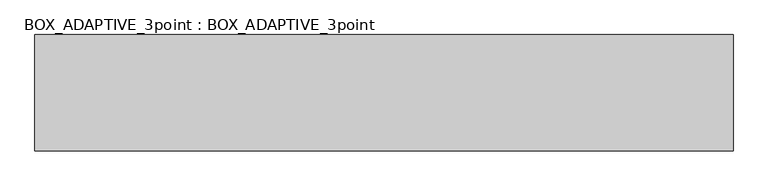
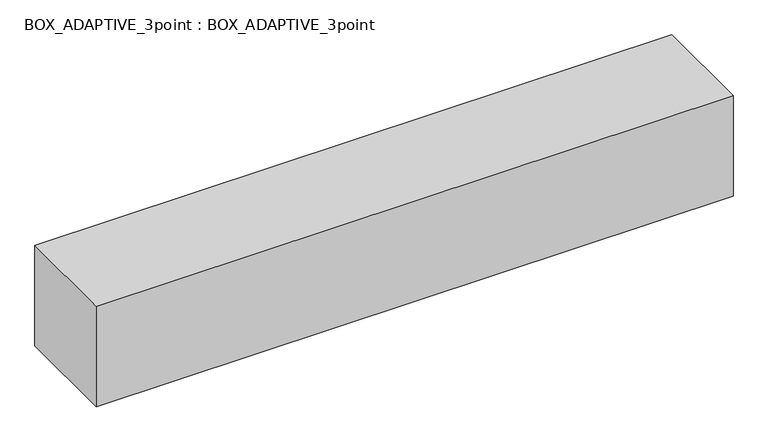
"""IFC4 building model written with IfcOpenShell, lengths in millimetres: proxy geometry, BOX_ADAPTIVE_3point : BOX_ADAPTIVE_3point."""

from ifc_helpers import new_model, si_unit, origin, origin_with_axes, place, context, project, spatial, polyline, outline, extrude, source, transform, mapped, element, save


def box_adaptive_3point_box_adaptive_3point_2b2ba6e6(model_context):
    return source(origin(), model_context, "Body", "SweptSolid", [
        extrude(outline(polyline([(6000.0, -500.0), (0.0, -500.0), (0.0, 500.0), (6000.0, 500.0), (6000.0, -500.0)])), origin_with_axes(), (0.0, 0.0, 1.0), 1000.0),
    ])


if __name__ == "__main__":
    model = new_model("IFC4")
    model_context = context("Model", 3, world=origin())
    ifc_project = project(units=[si_unit("LENGTHUNIT", "METRE", prefix="MILLI")], contexts=[model_context])
    site = spatial("IfcSite", under=ifc_project)
    building = spatial("IfcBuilding", under=site)
    placement = place(None, origin())
    box_adaptive_3point_box_adaptive_3point_shape = box_adaptive_3point_box_adaptive_3point_2b2ba6e6(model_context)
    element("IfcBuildingElementProxy", 1, Name="BOX_ADAPTIVE_3point : BOX_ADAPTIVE_3point", ObjectType="BOX_ADAPTIVE_3point : BOX_ADAPTIVE_3point", at=placement, inside=building, context=model_context, shape_type="MappedRepresentation", body=[
        mapped(box_adaptive_3point_box_adaptive_3point_shape, transform((0.0, 0.0, 0.0), x_axis=(1.0, 0.0, 0.0), y_axis=(0.0, 1.0, 0.0), z_axis=(0.0, 0.0, 1.0))),
    ])
    save(model, "model.ifc")
